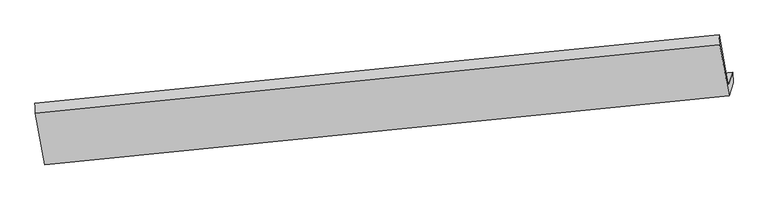
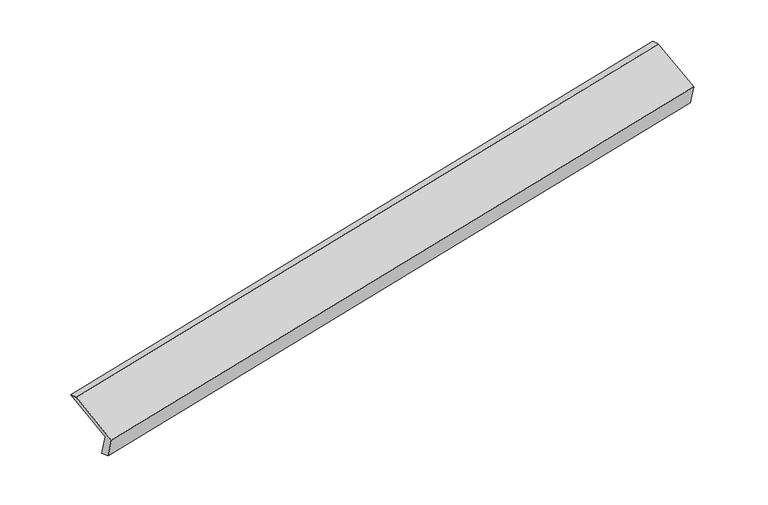
"""IFC4 building model written with IfcOpenShell, lengths in millimetres: proxy geometry."""

from ifc_helpers import new_model, si_unit, frame, origin, place, context, project, spatial, source, transform, mapped, element, save
from ifc_brep_helpers import plane_surface, spline_surface, advanced_brep


def generic_models_e6a6dab3(model_context):
    return source(origin(), model_context, "Body", "AdvancedBrep", [
        advanced_brep(
        [(-7437.7748722, -2003.3968253, 646.0553862), (-7493.962361, -2183.8860692, 1034.0819513), (1811.971419, -1262.387696, 2838.0516312), (1868.1589078, -1081.8984522, 2450.0250661), (-7431.965882, -2160.8843517, 697.9578514), (1874.9114549, -1221.9916433, 2487.9080162), (-7486.2087609, -2335.1269882, 1072.5550867), (1819.3668022, -1400.4159253, 2871.495203), (-7614.0202187, -1639.7791105, 1377.486291), (1691.5553445, -705.0680476, 3176.4264073), (-7619.2683926, -1502.1687592, 1333.0357368), (1685.0053968, -571.6393418, 3140.9658045)],
        [
            (0, 1),
            (1, 2),
            (2, 3),
            (3, 0),
            (4, 0),
            (3, 5),
            (5, 4),
            (6, 4),
            (5, 7),
            (7, 6),
            (8, 6),
            (7, 9),
            (9, 8),
            (10, 8),
            (9, 11),
            (11, 10),
            (1, 10),
            (11, 2),
        ],
        [
            plane_surface(frame((-7465.8686166, -2093.6414472, 840.0686687), z_axis=(-0.16619149441769554, 0.9030851782290159, 0.396001954599065), x_axis=(-0.13017737431690662, -0.4181645477163697, 0.8989951402811475))),
            spline_surface(1, 1, [[(-7431.965882, -2160.8843517, 697.9578514), (1874.9114549, -1221.9916433, 2487.9080162)], [(-7437.7748722, -2003.3968253, 646.0553862), (1868.1589078, -1081.8984522, 2450.0250661)]], [2, 2], [2, 2], [0.0, 1.0], [0.0, 1.0]),
            plane_surface(frame((-7459.0873215, -2248.00567, 885.256469), z_axis=(0.16721773665254952, -0.9029819330596425, -0.3958053272969809), x_axis=(0.13017737431699813, 0.41816454771645356, -0.8989951402810952))),
            plane_surface(frame((-7550.1144898, -1987.4530494, 1225.0206889), z_axis=(-0.13171676444645458, -0.4183178699937347, 0.8986995346653199), x_axis=(0.1659990586279921, -0.9031044253523546, -0.3960387726518882))),
            spline_surface(1, 1, [[(-7619.2683926, -1502.1687592, 1333.0357368), (1685.0053968, -571.6393418, 3140.9658045)], [(-7614.0202187, -1639.7791105, 1377.486291), (1691.5553445, -705.0680476, 3176.4264073)]], [2, 2], [2, 2], [0.0, 1.0], [0.0, 1.0]),
            plane_surface(frame((-7556.6153768, -1843.0274142, 1183.558844), z_axis=(0.13274283947664875, 0.41841950800449046, -0.8985012264259615), x_axis=(-0.16599905862796466, 0.9031044253523873, 0.3960387726518249))),
            plane_surface(frame((1791.8282209, -1040.566851, 2827.478688), z_axis=(0.9774958638022742, 0.09767705944625216, 0.18697868409896234), x_axis=(0.1659990586279921, -0.9031044253523546, -0.3960387726518882))),
            plane_surface(frame((-7513.8667479, -1970.873684, 1026.8620506), z_axis=(-0.9774958638022797, -0.09767705944634225, -0.18697868409888707), x_axis=(0.1301773743169078, 0.4181645477163707, -0.8989951402811469))),
        ],
        [
            (0, [[1, 2, 3, 4]]),
            (1, [[5, -4, 6, 7]]),
            (2, [[8, -7, 9, 10]]),
            (3, [[11, -10, 12, 13]]),
            (4, [[14, -13, 15, 16]]),
            (5, [[17, -16, 18, -2]]),
            (6, [[-12, -9, -6, -3, -18, -15]]),
            (7, [[-1, -5, -8, -11, -14, -17]]),
        ],
    ),
    ])


if __name__ == "__main__":
    model = new_model("IFC4")
    model_context = context("Model", 3, world=origin())
    ifc_project = project(units=[si_unit("LENGTHUNIT", "METRE", prefix="MILLI")], contexts=[model_context])
    site = spatial("IfcSite", under=ifc_project)
    building = spatial("IfcBuilding", under=site)
    placement = place(None, origin())
    generic_models_shape = generic_models_e6a6dab3(model_context)
    element("IfcBuildingElementProxy", 1, Name="Generic Models", at=placement, inside=building, context=model_context, shape_type="MappedRepresentation", body=[
        mapped(generic_models_shape, transform((0.0, 0.0, 0.0), x_axis=(1.0, 0.0, 0.0), y_axis=(0.0, 1.0, 0.0), z_axis=(0.0, 0.0, 1.0))),
    ])
    save(model, "model.ifc")
